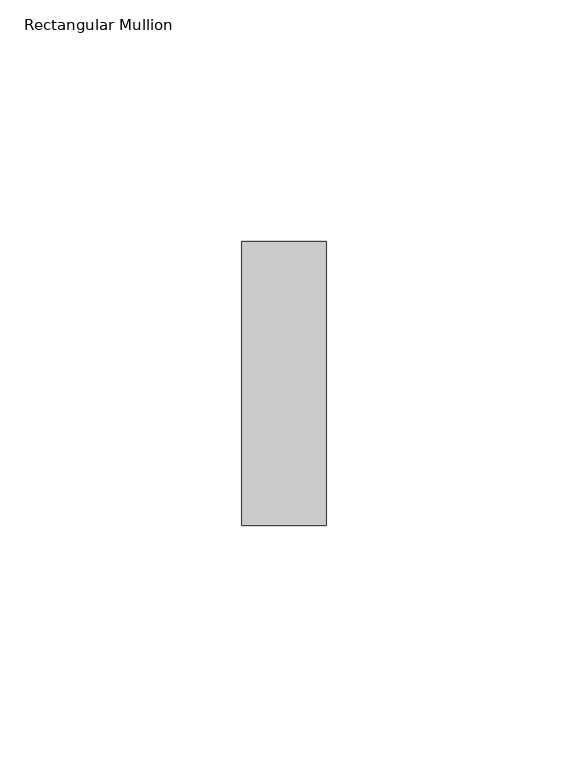
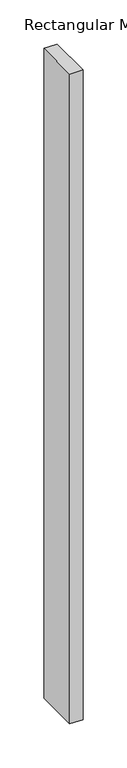
"""IFC4 building model written with IfcOpenShell, lengths in millimetres: member geometry, Rectangular Mullion."""

from ifc_helpers import new_model, si_unit, frame, origin, place, context, project, spatial, polyline, outline, extrude, source, transform, mapped, element, save


def rectangular_mullion_588d8b4e(model_context):
    return source(origin(), model_context, "Body", "SweptSolid", [
        extrude(outline(polyline([(0.0, 29.36875), (0.0, -29.36875), (-17.4625, -29.36875), (-17.4625, 29.36875), (0.0, 29.36875)])), frame((0.0, 0.0, -900.43), z_axis=(0.0, 0.0, 1.0), x_axis=(1.0, 0.0, 0.0)), (0.0, 0.0, 1.0), 900.43),
    ])


if __name__ == "__main__":
    model = new_model("IFC4")
    model_context = context("Model", 3, world=origin())
    ifc_project = project(units=[si_unit("LENGTHUNIT", "METRE", prefix="MILLI")], contexts=[model_context])
    site = spatial("IfcSite", under=ifc_project)
    building = spatial("IfcBuilding", under=site)
    placement = place(None, origin())
    rectangular_mullion_shape = rectangular_mullion_588d8b4e(model_context)
    element("IfcMember", 1, ObjectType="Rectangular Mullion", at=placement, inside=building, context=model_context, shape_type="MappedRepresentation", body=[
        mapped(rectangular_mullion_shape, transform((0.0, 0.0, 0.0), x_axis=(1.0, 0.0, 0.0), y_axis=(0.0, 1.0, 0.0), z_axis=(0.0, 0.0, 1.0))),
    ])
    save(model, "model.ifc")
